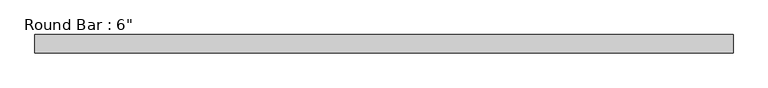
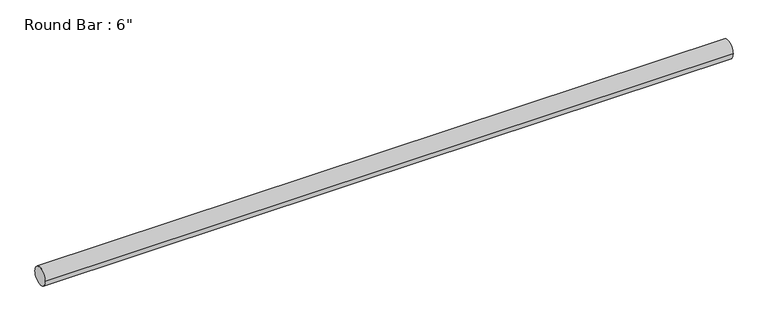
"""IFC4 building model written with IfcOpenShell, lengths in millimetres: beam geometry."""

from ifc_helpers import new_model, si_unit, point, frame, origin, origin_2d, place, context, project, spatial, circle_curve, trimmed, segment, composite_curve, outline, extrude, source, transform, mapped, element, save


def beam_7465d8bd(model_context):
    return source(origin(), model_context, "Body", "SweptSolid", [
        extrude(outline(composite_curve([segment(trimmed(circle_curve(origin_2d(), 76.2), [point((76.2, 0.0))], [point((-76.2, 0.0))], False, "CARTESIAN"), True, "CONTINUOUS"), segment(trimmed(circle_curve(origin_2d(), 76.2), [point((-76.2, 0.0))], [point((76.2, 0.0))], False, "CARTESIAN"), True, "CONTINUOUS")], self_intersect=False)), frame((-2880.0305628, 0.0, 0.0), z_axis=(1.0, 0.0, 0.0), x_axis=(0.0, 1.0, 0.0)), (0.0, 0.0, 1.0), 5760.0611255),
    ])


if __name__ == "__main__":
    model = new_model("IFC4")
    model_context = context("Model", 3, world=origin())
    ifc_project = project(units=[si_unit("LENGTHUNIT", "METRE", prefix="MILLI")], contexts=[model_context])
    site = spatial("IfcSite", under=ifc_project)
    building = spatial("IfcBuilding", under=site)
    placement = place(None, origin())
    beam_shape = beam_7465d8bd(model_context)
    element("IfcBeam", 1, ObjectType="Round Bar : 6\"", at=placement, inside=building, context=model_context, shape_type="MappedRepresentation", body=[
        mapped(beam_shape, transform((0.0, 0.0, 0.0), x_axis=(1.0, 0.0, 0.0), y_axis=(0.0, 1.0, 0.0), z_axis=(0.0, 0.0, 1.0))),
    ])
    save(model, "model.ifc")
